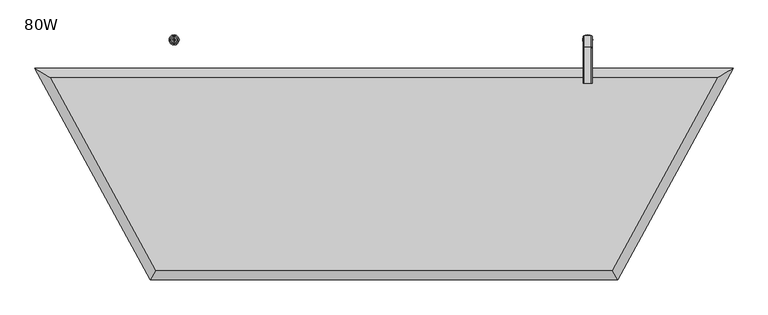
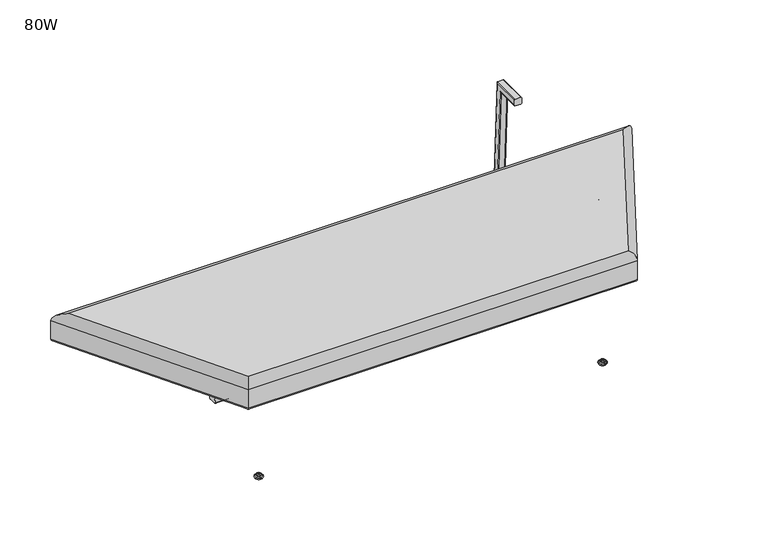
"""IFC4 building model written with IfcOpenShell, lengths in millimetres: furniture geometry, 80W."""

from ifc_helpers import new_model, si_unit, point, frame, origin, place, context, project, spatial, polyline, circle_curve, ellipse_curve, trimmed, outline, extrude, source, transform, mapped, element, save
from ifc_brep_helpers import plane_surface, cylinder_surface, revolved_surface, advanced_brep


def furniture_80w_c3cbe491(model_context):
    return source(origin(), model_context, "Body", "SolidModel", [
        advanced_brep(
        [(1650.9879716, -678.8688097, 405.8895176), (1953.4413891, -123.7984512, 405.8895176), (31.9123949, -123.7984512, 405.8895176), (334.3658124, -678.8688097, 405.8895176), (1988.655218, -102.8840302, 304.2919641), (1663.4095975, -699.7832308, 304.2919641), (321.9441865, -699.7832308, 304.2919641), (-3.301434, -102.8840302, 304.2919641), (1667.1810299, -706.1332308, 310.6419641), (1999.3467792, -96.5340302, 310.6419641), (1999.3467792, -96.5340302, 379.4503267), (1667.1810299, -706.1332308, 379.4503267), (-13.9929952, -96.5340302, 310.6419641), (-13.9929952, -96.5340302, 379.4503267), (318.1727541, -706.1332308, 310.6419641), (318.1727541, -706.1332308, 379.4503267)],
        [
            (0, 1),
            (1, 2),
            (2, 3),
            (3, 0),
            (4, 5),
            (5, 6),
            (6, 7),
            (7, 4),
            (8, 5, ellipse_curve(frame((1663.4095975, -699.7832308, 310.6419641), z_axis=(0.8597881728919553, 0.510650857000273, 0.0), x_axis=(0.5106508570002734, -0.8597881728919552, 0.0)), 7.3855401, 6.35)),
            (4, 9, ellipse_curve(frame((1988.655218, -102.8840302, 310.6419641), z_axis=(0.510650857000273, -0.8597881728919552, 0.0), x_axis=(-0.8597881728919552, -0.510650857000273, 0.0)), 12.4351108, 6.35)),
            (9, 8),
            (9, 10),
            (10, 11),
            (11, 8),
            (10, 1, ellipse_curve(frame((1954.8098101, -122.98571, 379.4503267), z_axis=(0.510650857000273, -0.8597881728919552, 0.0), x_axis=(-0.8597881728919552, -0.510650857000273, 0.0)), 51.7999323, 26.4516798)),
            (0, 11, ellipse_curve(frame((1651.4706801, -679.681551, 379.4503267), z_axis=(0.8597881728919553, 0.510650857000273, 0.0), x_axis=(0.5106508570002734, -0.8597881728919552, 0.0)), 30.7653451, 26.4516798)),
            (7, 12, ellipse_curve(frame((-3.301434, -102.8840302, 310.6419641), z_axis=(0.5106508570002734, 0.859788172891955, 0.0), x_axis=(0.859788172891955, -0.5106508570002732, 0.0)), 12.4351108, 6.35)),
            (12, 9),
            (12, 13),
            (13, 10),
            (13, 2, ellipse_curve(frame((30.5439739, -122.98571, 379.4503267), z_axis=(0.5106508570002734, 0.859788172891955, 0.0), x_axis=(0.859788172891955, -0.5106508570002732, 0.0)), 51.7999323, 26.4516798)),
            (6, 14, ellipse_curve(frame((321.9441865, -699.7832308, 310.6419641), z_axis=(-0.8597881728919551, 0.5106508570002735, 0.0), x_axis=(0.5106508570002738, 0.859788172891955, 0.0)), 7.3855401, 6.35)),
            (14, 12),
            (14, 15),
            (15, 13),
            (15, 3, ellipse_curve(frame((333.8831039, -679.681551, 379.4503267), z_axis=(-0.8597881728919551, 0.5106508570002735, 0.0), x_axis=(0.5106508570002738, 0.859788172891955, 0.0)), 30.7653451, 26.4516798)),
            (8, 14),
            (11, 15),
        ],
        [
            plane_surface(frame((31.9123949, -123.7984512, 405.8895176), z_axis=(0.0, 0.0, 1.0000000000000002), x_axis=(0.4784714044897729, -0.8781031346519521, 0.0))),
            plane_surface(frame((31.9123949, -123.7984512, 304.2919641), z_axis=(0.0, 0.0, -1.0000000000000002), x_axis=(-0.4784714044897729, 0.8781031346519521, 0.0))),
            cylinder_surface(frame((1669.3529903, -688.8757621, 310.6419641), z_axis=(-0.47847140448977327, -0.8781031346519518, 0.0), x_axis=(-0.8781031346519518, 0.47847140448977327, 0.0)), 6.35),
            plane_surface(frame((1667.1810299, -706.1332308, 310.6419641), z_axis=(0.8781031346519518, -0.47847140448977327, 0.0), x_axis=(0.47847140448977327, 0.8781031346519518, 0.0))),
            cylinder_surface(frame((1651.7016423, -679.2576832, 379.4503267), z_axis=(-0.47847140448977327, -0.8781031346519518, 0.0), x_axis=(-0.8781031346519518, 0.47847140448977327, 0.0)), 26.4516798),
            cylinder_surface(frame((1953.4413891, -102.8840302, 310.6419641), z_axis=(1.0, 0.0, 0.0), x_axis=(0.0, -1.0, 0.0)), 6.35),
            plane_surface(frame((1999.3467792, -96.5340302, 310.6419641), z_axis=(0.0, 1.0, 0.0), x_axis=(-1.0, 0.0, 0.0))),
            cylinder_surface(frame((1953.4413891, -122.98571, 379.4503267), z_axis=(1.0, 0.0, 0.0), x_axis=(0.0, -1.0, 0.0)), 26.4516798),
            cylinder_surface(frame((13.5473762, -133.8054037, 310.6419641), z_axis=(-0.47847140448977277, 0.8781031346519521, 0.0), x_axis=(0.8781031346519521, 0.47847140448977277, 0.0)), 6.35),
            plane_surface(frame((-13.9929952, -96.5340302, 310.6419641), z_axis=(-0.878103134651952, -0.478471404489773, 0.0), x_axis=(0.478471404489773, -0.878103134651952, 0.0))),
            cylinder_surface(frame((31.1987242, -124.1873247, 379.4503267), z_axis=(-0.47847140448977277, 0.8781031346519521, 0.0), x_axis=(0.8781031346519521, 0.47847140448977277, 0.0)), 26.4516798),
            cylinder_surface(frame((334.3658124, -699.7832308, 310.6419641), z_axis=(-1.0, 0.0, 0.0), x_axis=(0.0, 1.0, 0.0)), 6.35),
            plane_surface(frame((318.1727541, -706.1332308, 310.6419641), z_axis=(0.0, -1.0, 0.0), x_axis=(1.0, 0.0, 0.0))),
            cylinder_surface(frame((334.3658124, -679.681551, 379.4503267), z_axis=(-1.0, 0.0, 0.0), x_axis=(0.0, 1.0, 0.0)), 26.4516798),
        ],
        [
            (0, [[1, 2, 3, 4]]),
            (1, [[5, 6, 7, 8]]),
            (2, [[9, -5, 10, 11]]),
            (3, [[-11, 12, 13, 14]]),
            (4, [[-13, 15, -1, 16]]),
            (5, [[-10, -8, 17, 18]]),
            (6, [[-12, -18, 19, 20]]),
            (7, [[-15, -20, 21, -2]]),
            (8, [[-17, -7, 22, 23]]),
            (9, [[-19, -23, 24, 25]]),
            (10, [[-21, -25, 26, -3]]),
            (11, [[-9, 27, -22, -6]]),
            (12, [[-14, 28, -24, -27]]),
            (13, [[-16, -4, -26, -28]]),
        ],
    ),
        advanced_brep(
        [(1579.88, -645.9431587, 14.8752118), (1579.88, -652.5665699, 14.8752118), (1579.88, -649.2548643, 14.8752118), (1579.88, -645.3562211, 13.858606), (1579.88, -653.1535076, 13.858606), (1579.88, -641.3242474, 11.2402116), (1579.88, -657.1854813, 11.2402116), (1579.88, -641.3242474, 8.74896), (1579.88, -657.1854813, 8.74896), (1579.88, -642.9059165, 8.74896), (1579.88, -655.6038121, 8.74896), (1579.88, -638.0462975, 5.9432577), (1579.88, -660.4634312, 5.9432577), (1579.88, -634.8556417, 3.5556814), (1579.88, -663.6540869, 3.5556814), (1579.88, -636.908533, 0.0), (1579.88, -661.6011957, 0.0), (1579.88, -649.2548643, 0.0)],
        [
            (0, 1, circle_curve(frame((1579.88, -649.2548643, 14.8752118), z_axis=(0.0, 0.0, 1.0), x_axis=(0.0, -1.0, 0.0)), 3.3117056)),
            (1, 2),
            (2, 0),
            (1, 0, circle_curve(frame((1579.88, -649.2548643, 14.8752118), z_axis=(0.0, 0.0, 1.0), x_axis=(0.0, -1.0, 0.0)), 3.3117056)),
            (3, 4, circle_curve(frame((1579.88, -649.2548643, 13.858606), z_axis=(0.0, 0.0, 1.0), x_axis=(0.0, -1.0, 0.0)), 3.8986433)),
            (4, 1),
            (0, 3),
            (4, 3, circle_curve(frame((1579.88, -649.2548643, 13.858606), z_axis=(0.0, 0.0, 1.0), x_axis=(0.0, -1.0, 0.0)), 3.8986433)),
            (5, 6, circle_curve(frame((1579.88, -649.2548643, 11.2402116), z_axis=(0.0, 0.0, 1.0), x_axis=(0.0, -1.0, 0.0)), 7.930617)),
            (6, 4),
            (3, 5),
            (6, 5, circle_curve(frame((1579.88, -649.2548643, 11.2402116), z_axis=(0.0, 0.0, 1.0), x_axis=(0.0, -1.0, 0.0)), 7.930617)),
            (7, 8, circle_curve(frame((1579.88, -649.2548643, 8.74896), z_axis=(0.0, 0.0, 1.0), x_axis=(0.0, -1.0, 0.0)), 7.930617)),
            (8, 6),
            (5, 7),
            (8, 7, circle_curve(frame((1579.88, -649.2548643, 8.74896), z_axis=(0.0, 0.0, 1.0), x_axis=(0.0, -1.0, 0.0)), 7.930617)),
            (9, 10, circle_curve(frame((1579.88, -649.2548643, 8.74896), z_axis=(0.0, 0.0, 1.0), x_axis=(0.0, -1.0, 0.0)), 6.3489478)),
            (10, 8),
            (7, 9),
            (10, 9, circle_curve(frame((1579.88, -649.2548643, 8.74896), z_axis=(0.0, 0.0, 1.0), x_axis=(0.0, -1.0, 0.0)), 6.3489478)),
            (11, 12, circle_curve(frame((1579.88, -649.2548643, 5.9432577), z_axis=(0.0, 0.0, 1.0), x_axis=(0.0, -1.0, 0.0)), 11.2085669)),
            (12, 10, circle_curve(frame((1579.88, -660.1160571, 10.9529929), z_axis=(1.0, 0.0, 0.0), x_axis=(0.0, -1.0, 0.0)), 5.0217642)),
            (9, 11, circle_curve(frame((1579.88, -638.3936715, 10.9529929), z_axis=(1.0, 0.0, 0.0), x_axis=(0.0, 1.0, 0.0)), 5.0217642)),
            (12, 11, circle_curve(frame((1579.88, -649.2548643, 5.9432577), z_axis=(0.0, 0.0, 1.0), x_axis=(0.0, -1.0, 0.0)), 11.2085669)),
            (13, 14, circle_curve(frame((1579.88, -649.2548643, 3.5556814), z_axis=(0.0, 0.0, 1.0), x_axis=(0.0, -1.0, 0.0)), 14.3992226)),
            (14, 12, circle_curve(frame((1579.88, -660.6744794, 2.8995769), z_axis=(-1.0, 0.0, 0.0), x_axis=(0.0, -1.0, 0.0)), 3.050989)),
            (11, 13, circle_curve(frame((1579.88, -637.8352492, 2.8995769), z_axis=(-1.0, 0.0, 0.0), x_axis=(0.0, 1.0, 0.0)), 3.050989)),
            (14, 13, circle_curve(frame((1579.88, -649.2548643, 3.5556814), z_axis=(0.0, 0.0, 1.0), x_axis=(0.0, -1.0, 0.0)), 14.3992226)),
            (15, 16, circle_curve(frame((1579.88, -649.2548643, 0.0), z_axis=(0.0, 0.0, 1.0), x_axis=(0.0, -1.0, 0.0)), 12.3463313)),
            (16, 14),
            (13, 15),
            (16, 15, circle_curve(frame((1579.88, -649.2548643, 0.0), z_axis=(0.0, 0.0, 1.0), x_axis=(0.0, -1.0, 0.0)), 12.3463313)),
            (17, 16),
            (15, 17),
        ],
        [
            plane_surface(frame((1579.88, -649.2548643, 14.8752118), z_axis=(0.0, 0.0, 1.0), x_axis=(0.0, -1.0, 0.0))),
            revolved_surface(polyline([(1579.88, -652.5665699, 14.8752118), (1579.88, -653.1535076, 13.858606)]), (1579.88, -649.2548643, 0.0), (0.0, 0.0, -1.0)),
            revolved_surface(polyline([(1579.88, -653.1535076, 13.858606), (1579.88, -657.1854813, 11.2402116)]), (1579.88, -649.2548643, 0.0), (0.0, 0.0, -1.0)),
            cylinder_surface(frame((1579.88, -649.2548643, 0.0), z_axis=(0.0, 0.0, -1.0), x_axis=(0.0, -1.0, 0.0)), 7.930617),
            plane_surface(frame((1579.88, -649.2548643, 8.74896), z_axis=(0.0, 0.0, -1.0), x_axis=(0.0, -1.0, 0.0))),
            revolved_surface(trimmed(ellipse_curve(frame((1579.88, -660.1160571, 10.9529929), z_axis=(-1.0, 0.0, 0.0), x_axis=(0.0, -1.0, 0.0)), 5.0217642, 5.0217642), [point((1579.88, -655.6038121, 8.74896))], [point((1579.88, -660.4634312, 5.9432577))], True, "CARTESIAN"), (1579.88, -649.2548643, 0.0), (0.0, 0.0, -1.0)),
            revolved_surface(trimmed(ellipse_curve(frame((1579.88, -660.6744794, 2.8995769), z_axis=(1.0, 0.0, 0.0), x_axis=(0.0, -1.0, 0.0)), 3.050989, 3.050989), [point((1579.88, -660.4634312, 5.9432577))], [point((1579.88, -663.6540869, 3.5556814))], True, "CARTESIAN"), (1579.88, -649.2548643, 0.0), (0.0, 0.0, -1.0)),
            revolved_surface(polyline([(1579.88, -663.6540869, 3.5556814), (1579.88, -661.6011957, 0.0)]), (1579.88, -649.2548643, 0.0), (0.0, 0.0, -1.0)),
            plane_surface(frame((1579.88, -649.2548643, 0.0), z_axis=(0.0, 0.0, -1.0), x_axis=(0.0, -1.0, 0.0))),
        ],
        [
            (0, [[1, 2, 3]]),
            (0, [[4, -3, -2]]),
            (1, [[5, 6, -1, 7]]),
            (1, [[8, -7, -4, -6]]),
            (2, [[9, 10, -5, 11]]),
            (2, [[12, -11, -8, -10]]),
            (3, [[13, 14, -9, 15]]),
            (3, [[16, -15, -12, -14]]),
            (4, [[17, 18, -13, 19]]),
            (4, [[20, -19, -16, -18]]),
            (5, [[21, 22, -17, 23]]),
            (5, [[24, -23, -20, -22]]),
            (6, [[25, 26, -21, 27]]),
            (6, [[28, -27, -24, -26]]),
            (7, [[29, 30, -25, 31]]),
            (7, [[32, -31, -28, -30]]),
            (8, [[33, -29, 34]]),
            (8, [[-34, -32, -33]]),
        ],
    ),
        advanced_brep(
        [(1579.88, -14.3992226, 14.8752118), (1579.88, -11.087517, 14.8752118), (1579.88, -17.7109282, 14.8752118), (1579.88, -10.5005793, 13.858606), (1579.88, -18.2978659, 13.858606), (1579.88, -6.4686056, 11.2402116), (1579.88, -22.3298395, 11.2402116), (1579.88, -6.4686056, 8.74896), (1579.88, -22.3298395, 8.74896), (1579.88, -8.0502748, 8.74896), (1579.88, -20.7481704, 8.74896), (1579.88, -3.1906557, 5.9432577), (1579.88, -25.6077895, 5.9432577), (1579.88, 0.0, 3.5556814), (1579.88, -28.7984452, 3.5556814), (1579.88, -2.0528912, 0.0), (1579.88, -26.7455539, 0.0), (1579.88, -14.3992226, 0.0)],
        [
            (0, 1),
            (1, 2, circle_curve(frame((1579.88, -14.3992226, 14.8752118), z_axis=(0.0, 0.0, 1.0), x_axis=(0.0, 1.0, 0.0)), 3.3117056)),
            (2, 0),
            (2, 1, circle_curve(frame((1579.88, -14.3992226, 14.8752118), z_axis=(0.0, 0.0, 1.0), x_axis=(0.0, 1.0, 0.0)), 3.3117056)),
            (1, 3),
            (3, 4, circle_curve(frame((1579.88, -14.3992226, 13.858606), z_axis=(0.0, 0.0, 1.0), x_axis=(0.0, 1.0, 0.0)), 3.8986433)),
            (4, 2),
            (4, 3, circle_curve(frame((1579.88, -14.3992226, 13.858606), z_axis=(0.0, 0.0, 1.0), x_axis=(0.0, 1.0, 0.0)), 3.8986433)),
            (3, 5),
            (5, 6, circle_curve(frame((1579.88, -14.3992226, 11.2402116), z_axis=(0.0, 0.0, 1.0), x_axis=(0.0, 1.0, 0.0)), 7.930617)),
            (6, 4),
            (6, 5, circle_curve(frame((1579.88, -14.3992226, 11.2402116), z_axis=(0.0, 0.0, 1.0), x_axis=(0.0, 1.0, 0.0)), 7.930617)),
            (5, 7),
            (7, 8, circle_curve(frame((1579.88, -14.3992226, 8.74896), z_axis=(0.0, 0.0, 1.0), x_axis=(0.0, 1.0, 0.0)), 7.930617)),
            (8, 6),
            (8, 7, circle_curve(frame((1579.88, -14.3992226, 8.74896), z_axis=(0.0, 0.0, 1.0), x_axis=(0.0, 1.0, 0.0)), 7.930617)),
            (7, 9),
            (9, 10, circle_curve(frame((1579.88, -14.3992226, 8.74896), z_axis=(0.0, 0.0, 1.0), x_axis=(0.0, 1.0, 0.0)), 6.3489478)),
            (10, 8),
            (10, 9, circle_curve(frame((1579.88, -14.3992226, 8.74896), z_axis=(0.0, 0.0, 1.0), x_axis=(0.0, 1.0, 0.0)), 6.3489478)),
            (9, 11, circle_curve(frame((1579.88, -3.5380298, 10.9529929), z_axis=(1.0, 0.0, 0.0), x_axis=(0.0, -1.0, 0.0)), 5.0217642)),
            (11, 12, circle_curve(frame((1579.88, -14.3992226, 5.9432577), z_axis=(0.0, 0.0, 1.0), x_axis=(0.0, 1.0, 0.0)), 11.2085669)),
            (12, 10, circle_curve(frame((1579.88, -25.2604154, 10.9529929), z_axis=(1.0, 0.0, 0.0), x_axis=(0.0, 1.0, 0.0)), 5.0217642)),
            (12, 11, circle_curve(frame((1579.88, -14.3992226, 5.9432577), z_axis=(0.0, 0.0, 1.0), x_axis=(0.0, 1.0, 0.0)), 11.2085669)),
            (11, 13, circle_curve(frame((1579.88, -2.9796075, 2.8995769), z_axis=(-1.0, 0.0, 0.0), x_axis=(0.0, -1.0, 0.0)), 3.050989)),
            (13, 14, circle_curve(frame((1579.88, -14.3992226, 3.5556814), z_axis=(0.0, 0.0, 1.0), x_axis=(0.0, 1.0, 0.0)), 14.3992226)),
            (14, 12, circle_curve(frame((1579.88, -25.8188377, 2.8995769), z_axis=(-1.0, 0.0, 0.0), x_axis=(0.0, 1.0, 0.0)), 3.050989)),
            (14, 13, circle_curve(frame((1579.88, -14.3992226, 3.5556814), z_axis=(0.0, 0.0, 1.0), x_axis=(0.0, 1.0, 0.0)), 14.3992226)),
            (13, 15),
            (15, 16, circle_curve(frame((1579.88, -14.3992226, 0.0), z_axis=(0.0, 0.0, 1.0), x_axis=(0.0, 1.0, 0.0)), 12.3463313)),
            (16, 14),
            (16, 15, circle_curve(frame((1579.88, -14.3992226, 0.0), z_axis=(0.0, 0.0, 1.0), x_axis=(0.0, 1.0, 0.0)), 12.3463313)),
            (15, 17),
            (17, 16),
        ],
        [
            plane_surface(frame((1579.88, -14.3992226, 14.8752118), z_axis=(0.0, 0.0, 1.0), x_axis=(0.0, 1.0, 0.0))),
            revolved_surface(polyline([(1579.88, -10.5005793, 13.858606), (1579.88, -11.087517, 14.8752118)]), (1579.88, -14.3992226, 0.0), (0.0, 0.0, 1.0)),
            revolved_surface(polyline([(1579.88, -6.4686056, 11.2402116), (1579.88, -10.5005793, 13.858606)]), (1579.88, -14.3992226, 0.0), (0.0, 0.0, 1.0)),
            cylinder_surface(frame((1579.88, -14.3992226, 0.0), z_axis=(0.0, 0.0, 1.0), x_axis=(0.0, 1.0, 0.0)), 7.930617),
            plane_surface(frame((1579.88, -14.3992226, 8.74896), z_axis=(0.0, 0.0, -1.0), x_axis=(0.0, 1.0, 0.0))),
            revolved_surface(trimmed(ellipse_curve(frame((1579.88, -3.5380298, 10.9529929), z_axis=(-1.0, 0.0, 0.0), x_axis=(0.0, -1.0, 0.0)), 5.0217642, 5.0217642), [point((1579.88, -3.1906557, 5.9432577))], [point((1579.88, -8.0502748, 8.74896))], True, "CARTESIAN"), (1579.88, -14.3992226, 0.0), (0.0, 0.0, 1.0)),
            revolved_surface(trimmed(ellipse_curve(frame((1579.88, -2.9796075, 2.8995769), z_axis=(1.0, 0.0, 0.0), x_axis=(0.0, -1.0, 0.0)), 3.050989, 3.050989), [point((1579.88, 0.0, 3.5556814))], [point((1579.88, -3.1906557, 5.9432577))], True, "CARTESIAN"), (1579.88, -14.3992226, 0.0), (0.0, 0.0, 1.0)),
            revolved_surface(polyline([(1579.88, -2.0528912, 0.0), (1579.88, 0.0, 3.5556814)]), (1579.88, -14.3992226, 0.0), (0.0, 0.0, 1.0)),
            plane_surface(frame((1579.88, -14.3992226, 0.0), z_axis=(0.0, 0.0, -1.0), x_axis=(0.0, 1.0, 0.0))),
        ],
        [
            (0, [[1, 2, 3]]),
            (0, [[-3, 4, -1]]),
            (1, [[-2, 5, 6, 7]]),
            (1, [[-4, -7, 8, -5]]),
            (2, [[-6, 9, 10, 11]]),
            (2, [[-8, -11, 12, -9]]),
            (3, [[-10, 13, 14, 15]]),
            (3, [[-12, -15, 16, -13]]),
            (4, [[-14, 17, 18, 19]]),
            (4, [[-16, -19, 20, -17]]),
            (5, [[-18, 21, 22, 23]]),
            (5, [[-20, -23, 24, -21]]),
            (6, [[-22, 25, 26, 27]]),
            (6, [[-24, -27, 28, -25]]),
            (7, [[-26, 29, 30, 31]]),
            (7, [[-28, -31, 32, -29]]),
            (8, [[-30, 33, 34]]),
            (8, [[-32, -34, -33]]),
        ],
    ),
        advanced_brep(
        [(387.2755006, -649.2548643, 14.8752118), (387.2755006, -652.5665699, 14.8752118), (387.2755006, -645.9431587, 14.8752118), (387.2755006, -653.1535076, 13.858606), (387.2755006, -645.3562211, 13.858606), (387.2755006, -657.1854813, 11.2402116), (387.2755006, -641.3242474, 11.2402116), (387.2755006, -657.1854813, 8.74896), (387.2755006, -641.3242474, 8.74896), (387.2755006, -655.6038121, 8.74896), (387.2755006, -642.9059165, 8.74896), (387.2755006, -660.4634312, 5.9432577), (387.2755006, -638.0462975, 5.9432577), (387.2755006, -663.6540869, 3.5556814), (387.2755006, -634.8556417, 3.5556814), (387.2755006, -661.6011957, 0.0), (387.2755006, -636.908533, 0.0), (387.2755006, -649.2548643, 0.0)],
        [
            (0, 1),
            (1, 2, circle_curve(frame((387.2755006, -649.2548643, 14.8752118), z_axis=(0.0, 0.0, 1.0), x_axis=(0.0, -1.0, 0.0)), 3.3117056)),
            (2, 0),
            (2, 1, circle_curve(frame((387.2755006, -649.2548643, 14.8752118), z_axis=(0.0, 0.0, 1.0), x_axis=(0.0, -1.0, 0.0)), 3.3117056)),
            (1, 3),
            (3, 4, circle_curve(frame((387.2755006, -649.2548643, 13.858606), z_axis=(0.0, 0.0, 1.0), x_axis=(0.0, -1.0, 0.0)), 3.8986433)),
            (4, 2),
            (4, 3, circle_curve(frame((387.2755006, -649.2548643, 13.858606), z_axis=(0.0, 0.0, 1.0), x_axis=(0.0, -1.0, 0.0)), 3.8986433)),
            (3, 5),
            (5, 6, circle_curve(frame((387.2755006, -649.2548643, 11.2402116), z_axis=(0.0, 0.0, 1.0), x_axis=(0.0, -1.0, 0.0)), 7.930617)),
            (6, 4),
            (6, 5, circle_curve(frame((387.2755006, -649.2548643, 11.2402116), z_axis=(0.0, 0.0, 1.0), x_axis=(0.0, -1.0, 0.0)), 7.930617)),
            (5, 7),
            (7, 8, circle_curve(frame((387.2755006, -649.2548643, 8.74896), z_axis=(0.0, 0.0, 1.0), x_axis=(0.0, -1.0, 0.0)), 7.930617)),
            (8, 6),
            (8, 7, circle_curve(frame((387.2755006, -649.2548643, 8.74896), z_axis=(0.0, 0.0, 1.0), x_axis=(0.0, -1.0, 0.0)), 7.930617)),
            (7, 9),
            (9, 10, circle_curve(frame((387.2755006, -649.2548643, 8.74896), z_axis=(0.0, 0.0, 1.0), x_axis=(0.0, -1.0, 0.0)), 6.3489478)),
            (10, 8),
            (10, 9, circle_curve(frame((387.2755006, -649.2548643, 8.74896), z_axis=(0.0, 0.0, 1.0), x_axis=(0.0, -1.0, 0.0)), 6.3489478)),
            (9, 11, circle_curve(frame((387.2755006, -660.1160571, 10.9529929), z_axis=(-1.0, 0.0, 0.0), x_axis=(0.0, -1.0, 0.0)), 5.0217642)),
            (11, 12, circle_curve(frame((387.2755006, -649.2548643, 5.9432577), z_axis=(0.0, 0.0, 1.0), x_axis=(0.0, -1.0, 0.0)), 11.2085669)),
            (12, 10, circle_curve(frame((387.2755006, -638.3936715, 10.9529929), z_axis=(-1.0, 0.0, 0.0), x_axis=(0.0, 1.0, 0.0)), 5.0217642)),
            (12, 11, circle_curve(frame((387.2755006, -649.2548643, 5.9432577), z_axis=(0.0, 0.0, 1.0), x_axis=(0.0, -1.0, 0.0)), 11.2085669)),
            (11, 13, circle_curve(frame((387.2755006, -660.6744794, 2.8995769), z_axis=(1.0, 0.0, 0.0), x_axis=(0.0, -1.0, 0.0)), 3.050989)),
            (13, 14, circle_curve(frame((387.2755006, -649.2548643, 3.5556814), z_axis=(0.0, 0.0, 1.0), x_axis=(0.0, -1.0, 0.0)), 14.3992226)),
            (14, 12, circle_curve(frame((387.2755006, -637.8352492, 2.8995769), z_axis=(1.0, 0.0, 0.0), x_axis=(0.0, 1.0, 0.0)), 3.050989)),
            (14, 13, circle_curve(frame((387.2755006, -649.2548643, 3.5556814), z_axis=(0.0, 0.0, 1.0), x_axis=(0.0, -1.0, 0.0)), 14.3992226)),
            (13, 15),
            (15, 16, circle_curve(frame((387.2755006, -649.2548643, 0.0), z_axis=(0.0, 0.0, 1.0), x_axis=(0.0, -1.0, 0.0)), 12.3463313)),
            (16, 14),
            (16, 15, circle_curve(frame((387.2755006, -649.2548643, 0.0), z_axis=(0.0, 0.0, 1.0), x_axis=(0.0, -1.0, 0.0)), 12.3463313)),
            (15, 17),
            (17, 16),
        ],
        [
            plane_surface(frame((387.2755006, -649.2548643, 14.8752118), z_axis=(0.0, 0.0, 1.0), x_axis=(0.0, -1.0, 0.0))),
            revolved_surface(polyline([(387.2755006, -653.1535076, 13.858606), (387.2755006, -652.5665699, 14.8752118)]), (387.2755006, -649.2548643, 0.0), (0.0, 0.0, 1.0)),
            revolved_surface(polyline([(387.2755006, -657.1854813, 11.2402116), (387.2755006, -653.1535076, 13.858606)]), (387.2755006, -649.2548643, 0.0), (0.0, 0.0, 1.0)),
            cylinder_surface(frame((387.2755006, -649.2548643, 0.0), z_axis=(0.0, 0.0, 1.0), x_axis=(0.0, -1.0, 0.0)), 7.930617),
            plane_surface(frame((387.2755006, -649.2548643, 8.74896), z_axis=(0.0, 0.0, -1.0), x_axis=(0.0, -1.0, 0.0))),
            revolved_surface(trimmed(ellipse_curve(frame((387.2755006, -660.1160571, 10.9529929), z_axis=(1.0, 0.0, 0.0), x_axis=(0.0, -1.0, 0.0)), 5.0217642, 5.0217642), [point((387.2755006, -660.4634312, 5.9432577))], [point((387.2755006, -655.6038121, 8.74896))], True, "CARTESIAN"), (387.2755006, -649.2548643, 0.0), (0.0, 0.0, 1.0)),
            revolved_surface(trimmed(ellipse_curve(frame((387.2755006, -660.6744794, 2.8995769), z_axis=(-1.0, 0.0, 0.0), x_axis=(0.0, -1.0, 0.0)), 3.050989, 3.050989), [point((387.2755006, -663.6540869, 3.5556814))], [point((387.2755006, -660.4634312, 5.9432577))], True, "CARTESIAN"), (387.2755006, -649.2548643, 0.0), (0.0, 0.0, 1.0)),
            revolved_surface(polyline([(387.2755006, -661.6011957, 0.0), (387.2755006, -663.6540869, 3.5556814)]), (387.2755006, -649.2548643, 0.0), (0.0, 0.0, 1.0)),
            plane_surface(frame((387.2755006, -649.2548643, 0.0), z_axis=(0.0, 0.0, -1.0), x_axis=(0.0, -1.0, 0.0))),
        ],
        [
            (0, [[1, 2, 3]]),
            (0, [[-3, 4, -1]]),
            (1, [[-2, 5, 6, 7]]),
            (1, [[-4, -7, 8, -5]]),
            (2, [[-6, 9, 10, 11]]),
            (2, [[-8, -11, 12, -9]]),
            (3, [[-10, 13, 14, 15]]),
            (3, [[-12, -15, 16, -13]]),
            (4, [[-14, 17, 18, 19]]),
            (4, [[-16, -19, 20, -17]]),
            (5, [[-18, 21, 22, 23]]),
            (5, [[-20, -23, 24, -21]]),
            (6, [[-22, 25, 26, 27]]),
            (6, [[-24, -27, 28, -25]]),
            (7, [[-26, 29, 30, 31]]),
            (7, [[-28, -31, 32, -29]]),
            (8, [[-30, 33, 34]]),
            (8, [[-32, -34, -33]]),
        ],
    ),
        advanced_brep(
        [(387.2755006, -17.7109282, 14.8752118), (387.2755006, -11.087517, 14.8752118), (387.2755006, -14.3992226, 14.8752118), (387.2755006, -18.2978659, 13.858606), (387.2755006, -10.5005793, 13.858606), (387.2755006, -22.3298395, 11.2402116), (387.2755006, -6.4686056, 11.2402116), (387.2755006, -22.3298395, 8.74896), (387.2755006, -6.4686056, 8.74896), (387.2755006, -20.7481704, 8.74896), (387.2755006, -8.0502748, 8.74896), (387.2755006, -25.6077895, 5.9432577), (387.2755006, -3.1906557, 5.9432577), (387.2755006, -28.7984452, 3.5556814), (387.2755006, 0.0, 3.5556814), (387.2755006, -26.7455539, 0.0), (387.2755006, -2.0528912, 0.0), (387.2755006, -14.3992226, 0.0)],
        [
            (0, 1, circle_curve(frame((387.2755006, -14.3992226, 14.8752118), z_axis=(0.0, 0.0, 1.0), x_axis=(0.0, 1.0, 0.0)), 3.3117056)),
            (1, 2),
            (2, 0),
            (1, 0, circle_curve(frame((387.2755006, -14.3992226, 14.8752118), z_axis=(0.0, 0.0, 1.0), x_axis=(0.0, 1.0, 0.0)), 3.3117056)),
            (3, 4, circle_curve(frame((387.2755006, -14.3992226, 13.858606), z_axis=(0.0, 0.0, 1.0), x_axis=(0.0, 1.0, 0.0)), 3.8986433)),
            (4, 1),
            (0, 3),
            (4, 3, circle_curve(frame((387.2755006, -14.3992226, 13.858606), z_axis=(0.0, 0.0, 1.0), x_axis=(0.0, 1.0, 0.0)), 3.8986433)),
            (5, 6, circle_curve(frame((387.2755006, -14.3992226, 11.2402116), z_axis=(0.0, 0.0, 1.0), x_axis=(0.0, 1.0, 0.0)), 7.930617)),
            (6, 4),
            (3, 5),
            (6, 5, circle_curve(frame((387.2755006, -14.3992226, 11.2402116), z_axis=(0.0, 0.0, 1.0), x_axis=(0.0, 1.0, 0.0)), 7.930617)),
            (7, 8, circle_curve(frame((387.2755006, -14.3992226, 8.74896), z_axis=(0.0, 0.0, 1.0), x_axis=(0.0, 1.0, 0.0)), 7.930617)),
            (8, 6),
            (5, 7),
            (8, 7, circle_curve(frame((387.2755006, -14.3992226, 8.74896), z_axis=(0.0, 0.0, 1.0), x_axis=(0.0, 1.0, 0.0)), 7.930617)),
            (9, 10, circle_curve(frame((387.2755006, -14.3992226, 8.74896), z_axis=(0.0, 0.0, 1.0), x_axis=(0.0, 1.0, 0.0)), 6.3489478)),
            (10, 8),
            (7, 9),
            (10, 9, circle_curve(frame((387.2755006, -14.3992226, 8.74896), z_axis=(0.0, 0.0, 1.0), x_axis=(0.0, 1.0, 0.0)), 6.3489478)),
            (11, 12, circle_curve(frame((387.2755006, -14.3992226, 5.9432577), z_axis=(0.0, 0.0, 1.0), x_axis=(0.0, 1.0, 0.0)), 11.2085669)),
            (12, 10, circle_curve(frame((387.2755006, -3.5380298, 10.9529929), z_axis=(-1.0, 0.0, 0.0), x_axis=(0.0, -1.0, 0.0)), 5.0217642)),
            (9, 11, circle_curve(frame((387.2755006, -25.2604154, 10.9529929), z_axis=(-1.0, 0.0, 0.0), x_axis=(0.0, 1.0, 0.0)), 5.0217642)),
            (12, 11, circle_curve(frame((387.2755006, -14.3992226, 5.9432577), z_axis=(0.0, 0.0, 1.0), x_axis=(0.0, 1.0, 0.0)), 11.2085669)),
            (13, 14, circle_curve(frame((387.2755006, -14.3992226, 3.5556814), z_axis=(0.0, 0.0, 1.0), x_axis=(0.0, 1.0, 0.0)), 14.3992226)),
            (14, 12, circle_curve(frame((387.2755006, -2.9796075, 2.8995769), z_axis=(1.0, 0.0, 0.0), x_axis=(0.0, -1.0, 0.0)), 3.050989)),
            (11, 13, circle_curve(frame((387.2755006, -25.8188377, 2.8995769), z_axis=(1.0, 0.0, 0.0), x_axis=(0.0, 1.0, 0.0)), 3.050989)),
            (14, 13, circle_curve(frame((387.2755006, -14.3992226, 3.5556814), z_axis=(0.0, 0.0, 1.0), x_axis=(0.0, 1.0, 0.0)), 14.3992226)),
            (15, 16, circle_curve(frame((387.2755006, -14.3992226, 0.0), z_axis=(0.0, 0.0, 1.0), x_axis=(0.0, 1.0, 0.0)), 12.3463313)),
            (16, 14),
            (13, 15),
            (16, 15, circle_curve(frame((387.2755006, -14.3992226, 0.0), z_axis=(0.0, 0.0, 1.0), x_axis=(0.0, 1.0, 0.0)), 12.3463313)),
            (17, 16),
            (15, 17),
        ],
        [
            plane_surface(frame((387.2755006, -14.3992226, 14.8752118), z_axis=(0.0, 0.0, 1.0), x_axis=(0.0, 1.0, 0.0))),
            revolved_surface(polyline([(387.2755006, -11.087517, 14.8752118), (387.2755006, -10.5005793, 13.858606)]), (387.2755006, -14.3992226, 0.0), (0.0, 0.0, -1.0)),
            revolved_surface(polyline([(387.2755006, -10.5005793, 13.858606), (387.2755006, -6.4686056, 11.2402116)]), (387.2755006, -14.3992226, 0.0), (0.0, 0.0, -1.0)),
            cylinder_surface(frame((387.2755006, -14.3992226, 0.0), z_axis=(0.0, 0.0, -1.0), x_axis=(0.0, 1.0, 0.0)), 7.930617),
            plane_surface(frame((387.2755006, -14.3992226, 8.74896), z_axis=(0.0, 0.0, -1.0), x_axis=(0.0, 1.0, 0.0))),
            revolved_surface(trimmed(ellipse_curve(frame((387.2755006, -3.5380298, 10.9529929), z_axis=(1.0, 0.0, 0.0), x_axis=(0.0, -1.0, 0.0)), 5.0217642, 5.0217642), [point((387.2755006, -8.0502748, 8.74896))], [point((387.2755006, -3.1906557, 5.9432577))], True, "CARTESIAN"), (387.2755006, -14.3992226, 0.0), (0.0, 0.0, -1.0)),
            revolved_surface(trimmed(ellipse_curve(frame((387.2755006, -2.9796075, 2.8995769), z_axis=(-1.0, 0.0, 0.0), x_axis=(0.0, -1.0, 0.0)), 3.050989, 3.050989), [point((387.2755006, -3.1906557, 5.9432577))], [point((387.2755006, 0.0, 3.5556814))], True, "CARTESIAN"), (387.2755006, -14.3992226, 0.0), (0.0, 0.0, -1.0)),
            revolved_surface(polyline([(387.2755006, 0.0, 3.5556814), (387.2755006, -2.0528912, 0.0)]), (387.2755006, -14.3992226, 0.0), (0.0, 0.0, -1.0)),
            plane_surface(frame((387.2755006, -14.3992226, 0.0), z_axis=(0.0, 0.0, -1.0), x_axis=(0.0, 1.0, 0.0))),
        ],
        [
            (0, [[1, 2, 3]]),
            (0, [[4, -3, -2]]),
            (1, [[5, 6, -1, 7]]),
            (1, [[8, -7, -4, -6]]),
            (2, [[9, 10, -5, 11]]),
            (2, [[12, -11, -8, -10]]),
            (3, [[13, 14, -9, 15]]),
            (3, [[16, -15, -12, -14]]),
            (4, [[17, 18, -13, 19]]),
            (4, [[20, -19, -16, -18]]),
            (5, [[21, 22, -17, 23]]),
            (5, [[24, -23, -20, -22]]),
            (6, [[25, 26, -21, 27]]),
            (6, [[28, -27, -24, -26]]),
            (7, [[29, 30, -25, 31]]),
            (7, [[32, -31, -28, -30]]),
            (8, [[33, -29, 34]]),
            (8, [[-34, -32, -33]]),
        ],
    ),
        advanced_brep(
        [(1784.7955207, -230.7462837, 302.386969), (180.962022, -230.7462837, 302.386969), (180.8954939, -230.7462837, 304.2920853), (1784.9287395, -230.7462837, 304.2920853), (180.8954939, -292.4154368, 304.2920853), (1784.9287395, -292.4154368, 304.2920853), (180.962022, -292.4154368, 302.386969), (1784.7955207, -292.4154368, 302.386969), (180.962022, -278.2027199, 302.386969), (1784.7955207, -278.2027199, 302.386969), (180.9944372, -277.2744696, 301.4587187), (1784.7306112, -277.2744696, 301.4587187), (182.7841105, -277.2744696, 250.2091797), (1781.1468943, -277.2744696, 250.2091797), (182.9132303, -273.576963, 246.5116732), (1780.8883394, -273.576963, 246.5116732), (182.9132303, -249.7778777, 246.5116732), (1780.8883394, -249.7778777, 246.5116732), (182.7790463, -245.9353512, 250.3541997), (1781.1570351, -245.9353512, 250.3541997), (180.9975015, -245.9353512, 301.370969), (1784.7244751, -245.9353512, 301.370969), (180.962022, -244.9193512, 302.386969), (1784.7955207, -244.9193512, 302.386969)],
        [
            (0, 1),
            (1, 2),
            (2, 3),
            (3, 0),
            (2, 4),
            (4, 5),
            (5, 3),
            (4, 6),
            (6, 7),
            (7, 5),
            (6, 8),
            (8, 9),
            (9, 7),
            (8, 10, ellipse_curve(frame((180.9944372, -278.2027199, 301.4587187), z_axis=(-0.9993908270190957, 0.0, -0.034899496702502815), x_axis=(-0.03489949670250302, 0.0, 0.9993908270190957)), 0.9288161, 0.9282503)),
            (10, 11),
            (11, 9, ellipse_curve(frame((1784.7306112, -278.2027199, 301.4587187), z_axis=(0.9975640502598186, 0.0, -0.06975647374420531), x_axis=(-0.06975647374420571, 0.0, -0.9975640502598186)), 0.930517, 0.9282503)),
            (10, 12),
            (12, 13),
            (13, 11),
            (12, 14, ellipse_curve(frame((182.7841105, -273.576963, 250.2091797), z_axis=(0.9993908270190957, 0.0, 0.034899496702502815), x_axis=(0.03489949670250302, 0.0, -0.9993908270190957)), 3.6997604, 3.6975066)),
            (14, 15),
            (15, 13, ellipse_curve(frame((1781.1468943, -273.576963, 250.2091797), z_axis=(-0.9975640502598186, 0.0, 0.06975647374420531), x_axis=(0.06975647374420571, 0.0, 0.9975640502598186)), 3.7065355, 3.6975066)),
            (14, 16),
            (16, 17),
            (17, 15),
            (16, 18, ellipse_curve(frame((182.7790463, -249.7778777, 250.3541997), z_axis=(0.9993908270190957, 0.0, 0.034899496702502815), x_axis=(0.03489949670250302, 0.0, -0.9993908270190957)), 3.8448687, 3.8425266)),
            (18, 19),
            (19, 17, ellipse_curve(frame((1781.1570351, -249.7778777, 250.3541997), z_axis=(-0.9975640502598186, 0.0, 0.06975647374420531), x_axis=(0.06975647374420571, 0.0, 0.9975640502598186)), 3.8519096, 3.8425266)),
            (18, 20),
            (20, 21),
            (21, 19),
            (20, 22, ellipse_curve(frame((180.9975015, -244.9193512, 301.370969), z_axis=(-0.9993908270190957, 0.0, -0.034899496702502815), x_axis=(-0.03489949670250302, 0.0, 0.9993908270190957)), 1.0166193, 1.016)),
            (22, 23),
            (23, 21, ellipse_curve(frame((1784.7244751, -244.9193512, 301.370969), z_axis=(0.9975640502598186, 0.0, -0.06975647374420531), x_axis=(-0.06975647374420571, 0.0, -0.9975640502598186)), 1.018481, 1.016)),
            (0, 23),
            (22, 1),
        ],
        [
            plane_surface(frame((1841.5, -230.7462837, 302.386969), z_axis=(0.0, 1.0, 0.0), x_axis=(-1.0, 0.0, 0.0))),
            plane_surface(frame((1841.5, -230.7462837, 304.2920853), z_axis=(0.0, 0.0, 1.0), x_axis=(-1.0, 0.0, 0.0))),
            plane_surface(frame((1841.5, -292.4154368, 304.2920853), z_axis=(0.0, -1.0, 0.0), x_axis=(-1.0, 0.0, 0.0))),
            plane_surface(frame((1841.5, -292.4154368, 302.386969), z_axis=(0.0, 0.0, -1.0), x_axis=(-1.0, 0.0, 0.0))),
            revolved_surface(polyline([(180.9620219855808, -279.1309702, 301.4587187), (1784.7955207846792, -279.1309702, 301.4587187)]), (0.0, -278.2027199, 301.4587187), (-1.0, 0.0, 0.0)),
            plane_surface(frame((1841.5, -277.2744696, 301.4587187), z_axis=(0.0, -1.0, 0.0), x_axis=(-1.0, 0.0, 0.0))),
            cylinder_surface(frame((0.0, -273.576963, 250.2091797), z_axis=(1.0, 0.0, 0.0), x_axis=(0.0, -1.0, 0.0)), 3.6975066),
            plane_surface(frame((1841.5, -273.576963, 246.5116732), z_axis=(0.0, 0.0, -1.0), x_axis=(-1.0, 0.0, 0.0))),
            cylinder_surface(frame((0.0, -249.7778777, 250.3541997), z_axis=(1.0, 0.0, 0.0), x_axis=(0.0, -1.0, 0.0)), 3.8425266),
            plane_surface(frame((1841.5, -245.9353512, 250.3541997), z_axis=(0.0, 1.0, 0.0), x_axis=(-1.0, 0.0, 0.0))),
            revolved_surface(polyline([(180.96202199809196, -245.93535119999999, 301.370969), (1784.7955207431355, -245.93535119999999, 301.370969)]), (0.0, -244.9193512, 301.370969), (-1.0, 0.0, 0.0)),
            plane_surface(frame((1841.5, -244.9193512, 302.386969), z_axis=(0.0, 0.0, -1.0), x_axis=(-1.0, 0.0, 0.0))),
            plane_surface(frame((180.8954939, -115.8078763, 304.2920853), z_axis=(-0.9993908270190957, 0.0, -0.034899496702502815), x_axis=(0.0, -1.0, 0.0))),
            plane_surface(frame((1777.8449395, -115.8078763, 202.9890258), z_axis=(0.9975640502598186, 0.0, -0.06975647374420531), x_axis=(0.0, -1.0, 0.0))),
        ],
        [
            (0, [[1, 2, 3, 4]]),
            (1, [[-3, 5, 6, 7]]),
            (2, [[-6, 8, 9, 10]]),
            (3, [[-9, 11, 12, 13]]),
            (4, [[-12, 14, 15, 16]]),
            (5, [[-15, 17, 18, 19]]),
            (6, [[-18, 20, 21, 22]]),
            (7, [[-21, 23, 24, 25]]),
            (8, [[-24, 26, 27, 28]]),
            (9, [[-27, 29, 30, 31]]),
            (10, [[-30, 32, 33, 34]]),
            (11, [[-1, 35, -33, 36]]),
            (12, [[-2, -36, -32, -29, -26, -23, -20, -17, -14, -11, -8, -5]]),
            (13, [[-4, -7, -10, -13, -16, -19, -22, -25, -28, -31, -34, -35]]),
        ],
    ),
        advanced_brep(
        [(1682.9474239, -510.0447355, 302.386969), (285.1608865, -510.0447355, 302.386969), (285.0083906, -510.0447355, 304.2920853), (1683.0806426, -510.0447355, 304.2920853), (285.0083906, -571.7138886, 304.2920853), (1683.0806426, -571.7138886, 304.2920853), (285.1608865, -571.7138886, 302.386969), (1682.9474239, -571.7138886, 302.386969), (285.1608865, -557.5011716, 302.386969), (1682.9474239, -557.5011716, 302.386969), (285.2351887, -556.5729213, 301.4587187), (1682.8825143, -556.5729213, 301.4587187), (289.3374816, -556.5729213, 250.2091797), (1679.2987974, -556.5729213, 250.2091797), (289.6334502, -552.8754147, 246.5116732), (1679.0402426, -552.8754147, 246.5116732), (289.6334502, -529.0763295, 246.5116732), (1679.0402426, -529.0763295, 246.5116732), (289.3258734, -525.2338029, 250.3541997), (1679.3089382, -525.2338029, 250.3541997), (285.2422127, -525.2338029, 301.370969), (1682.8763783, -525.2338029, 301.370969), (285.1608865, -524.2178029, 302.386969), (1682.9474239, -524.2178029, 302.386969)],
        [
            (0, 1),
            (1, 2),
            (2, 3),
            (3, 0),
            (2, 4),
            (4, 5),
            (5, 3),
            (4, 6),
            (6, 7),
            (7, 5),
            (6, 8),
            (8, 9),
            (9, 7),
            (8, 10, ellipse_curve(frame((285.2351887, -557.5011716, 301.4587187), z_axis=(-0.996811675397948, 0.0, -0.07979024871709615), x_axis=(-0.07979024871709392, 0.0, 0.9968116753979481)), 0.9312193, 0.9282503)),
            (10, 11),
            (11, 9, ellipse_curve(frame((1682.8825143, -557.5011716, 301.4587187), z_axis=(0.9975640502598302, 0.0, -0.06975647374403986), x_axis=(-0.0697564737440401, 0.0, -0.9975640502598302)), 0.930517, 0.9282503)),
            (10, 12),
            (12, 13),
            (13, 11),
            (12, 14, ellipse_curve(frame((289.3374816, -552.8754147, 250.2091797), z_axis=(0.996811675397948, 0.0, 0.07979024871709615), x_axis=(0.07979024871709392, 0.0, -0.9968116753979481)), 3.7093331, 3.6975066)),
            (14, 15),
            (15, 13, ellipse_curve(frame((1679.2987974, -552.8754147, 250.2091797), z_axis=(-0.9975640502598302, 0.0, 0.06975647374403986), x_axis=(0.0697564737440401, 0.0, 0.9975640502598302)), 3.7065355, 3.6975066)),
            (14, 16),
            (16, 17),
            (17, 15),
            (16, 18, ellipse_curve(frame((289.3258734, -529.0763295, 250.3541997), z_axis=(0.996811675397948, 0.0, 0.07979024871709615), x_axis=(0.07979024871709392, 0.0, -0.9968116753979481)), 3.854817, 3.8425266)),
            (18, 19),
            (19, 17, ellipse_curve(frame((1679.3089382, -529.0763295, 250.3541997), z_axis=(-0.9975640502598302, 0.0, 0.06975647374403986), x_axis=(0.0697564737440401, 0.0, 0.9975640502598302)), 3.8519096, 3.8425266)),
            (18, 20),
            (20, 21),
            (21, 19),
            (20, 22, ellipse_curve(frame((285.2422127, -524.2178029, 301.370969), z_axis=(-0.996811675397948, 0.0, -0.07979024871709615), x_axis=(-0.07979024871709392, 0.0, 0.9968116753979481)), 1.0192497, 1.016)),
            (22, 23),
            (23, 21, ellipse_curve(frame((1682.8763783, -524.2178029, 301.370969), z_axis=(0.9975640502598302, 0.0, -0.06975647374403986), x_axis=(-0.0697564737440401, 0.0, -0.9975640502598302)), 1.018481, 1.016)),
            (0, 23),
            (22, 1),
        ],
        [
            plane_surface(frame((1841.5, -510.0447355, 302.386969), z_axis=(0.0, 1.0, 0.0), x_axis=(-1.0, 0.0, 0.0))),
            plane_surface(frame((1841.5, -510.0447355, 304.2920853), z_axis=(0.0, 0.0, 1.0), x_axis=(-1.0, 0.0, 0.0))),
            plane_surface(frame((1841.5, -571.7138886, 304.2920853), z_axis=(0.0, -1.0, 0.0), x_axis=(-1.0, 0.0, 0.0))),
            plane_surface(frame((1841.5, -571.7138886, 302.386969), z_axis=(0.0, 0.0, -1.0), x_axis=(-1.0, 0.0, 0.0))),
            revolved_surface(polyline([(285.16088648044285, -558.4294219, 301.4587187), (1682.9474239, -558.4294219, 301.4587187)]), (990.6, -557.5011716, 301.4587187), (-1.0, 0.0, 0.0)),
            plane_surface(frame((1841.5, -556.5729213, 301.4587187), z_axis=(0.0, -1.0, 0.0), x_axis=(-1.0, 0.0, 0.0))),
            cylinder_surface(frame((990.6, -552.8754147, 250.2091797), z_axis=(1.0, 0.0, 0.0), x_axis=(0.0, -1.0, 0.0)), 3.6975066),
            plane_surface(frame((1841.5, -552.8754147, 246.5116732), z_axis=(0.0, 0.0, -1.0), x_axis=(-1.0, 0.0, 0.0))),
            cylinder_surface(frame((990.6, -529.0763295, 250.3541997), z_axis=(1.0, 0.0, 0.0), x_axis=(0.0, -1.0, 0.0)), 3.8425266),
            plane_surface(frame((1841.5, -525.2338029, 250.3541997), z_axis=(0.0, 1.0, 0.0), x_axis=(-1.0, 0.0, 0.0))),
            revolved_surface(polyline([(285.16088649999995, -525.2338029, 301.370969), (1682.9474239431352, -525.2338029, 301.370969)]), (990.6, -524.2178029, 301.370969), (-1.0, 0.0, 0.0)),
            plane_surface(frame((1841.5, -524.2178029, 302.386969), z_axis=(0.0, 0.0, -1.0), x_axis=(-1.0, 0.0, 0.0))),
            plane_surface(frame((285.0083906, -382.8099024, 304.2920853), z_axis=(-0.996811675397948, 0.0, -0.07979024871709615), x_axis=(0.0, -1.0, 0.0))),
            plane_surface(frame((1675.9968426, -382.8099024, 202.9890258), z_axis=(0.9975640502598302, 0.0, -0.06975647374403986), x_axis=(0.0, -1.0, 0.0))),
        ],
        [
            (0, [[1, 2, 3, 4]]),
            (1, [[-3, 5, 6, 7]]),
            (2, [[-6, 8, 9, 10]]),
            (3, [[-9, 11, 12, 13]]),
            (4, [[-12, 14, 15, 16]]),
            (5, [[-15, 17, 18, 19]]),
            (6, [[-18, 20, 21, 22]]),
            (7, [[-21, 23, 24, 25]]),
            (8, [[-24, 26, 27, 28]]),
            (9, [[-27, 29, 30, 31]]),
            (10, [[-30, 32, 33, 34]]),
            (11, [[-1, 35, -33, 36]]),
            (12, [[-2, -36, -32, -29, -26, -23, -20, -17, -14, -11, -8, -5]]),
            (13, [[-4, -7, -10, -13, -16, -19, -22, -25, -28, -31, -34, -35]]),
        ],
    ),
        extrude(outline(polyline([(353.7814579, -248.9073845), (420.4564579, -248.9073845), (420.4564579, -274.3074087), (353.7814579, -274.3074087), (353.7814579, -248.9073845)])), frame((0.0, 0.0, 244.2209457), z_axis=(0.0, 0.0, 1.0), x_axis=(1.0, 0.0, 0.0)), (0.0, 0.0, 1.0), 3.0479971),
        extrude(outline(polyline([(1546.7084298, -248.9073845), (1613.3834782, -248.9073845), (1613.3834782, -274.3074087), (1546.7084298, -274.3074087), (1546.7084298, -248.9073845)])), frame((0.0, 0.0, 244.2209215), z_axis=(0.0, 0.0, 1.0), x_axis=(1.0, 0.0, 0.0)), (0.0, 0.0, 1.0), 3.0480213),
        extrude(outline(polyline([(420.4564579, -555.208293), (353.7814579, -555.208293), (353.7814579, -525.8562555), (420.4564579, -525.8562555), (420.4564579, -555.208293)])), frame((0.0, 0.0, 244.1713364), z_axis=(0.0, 0.0, 1.0), x_axis=(1.0, 0.0, 0.0)), (0.0, 0.0, 1.0), 3.0976065),
        extrude(outline(polyline([(1613.3834782, -555.208293), (1546.7084298, -555.208293), (1546.7084298, -525.8562555), (1613.3834782, -525.8562555), (1613.3834782, -555.208293)])), frame((0.0, 0.0, 244.1713121), z_axis=(0.0, 0.0, 1.0), x_axis=(1.0, 0.0, 0.0)), (0.0, 0.0, 1.0), 3.0976307),
        advanced_brep(
        [(1570.736, -140.07523, 663.2784096), (1567.18, -140.07523, 659.7224096), (1567.18, -140.07523, 641.490753), (1570.736, -140.07523, 637.934753), (1589.0615341, -140.07523, 637.934753), (1592.58, -140.07523, 641.4532189), (1592.58, -140.07523, 659.8422341), (1589.1438245, -140.07523, 663.2784096), (1589.1438245, -35.6046233, 663.2784096), (1570.736, -35.6046233, 663.2784096), (1592.58, -38.865432, 659.8422341), (1592.58, -56.3159558, 641.4532189), (1592.58, -23.4408219, 14.1582936), (1592.58, -5.0770082, 15.1207003), (1589.0615341, -59.6548553, 637.934753), (1570.736, -59.6548553, 637.934753), (1567.18, -56.2803373, 641.490753), (1567.18, -38.9791413, 659.7224096), (1567.18, -5.1966685, 15.1144291), (1567.18, -23.4033392, 14.160258), (1570.736, -1.6455419, 15.3005358), (1589.1438245, -1.6455419, 15.3005358), (1589.0615341, -26.9544658, 13.9741513), (1570.736, -26.9544658, 13.9741513)],
        [
            (0, 1, circle_curve(frame((1570.736, -140.07523, 659.7224096), z_axis=(0.0, -1.0, 0.0), x_axis=(0.0, 0.0, 1.0)), 3.556)),
            (1, 2),
            (2, 3, circle_curve(frame((1570.736, -140.07523, 641.490753), z_axis=(0.0, -1.0, 0.0), x_axis=(0.0, 0.0, 1.0)), 3.556)),
            (3, 4),
            (4, 5, circle_curve(frame((1589.0615341, -140.07523, 641.4532189), z_axis=(0.0, -1.0, 0.0), x_axis=(0.0, 0.0, 1.0)), 3.5184659)),
            (5, 6),
            (6, 7, circle_curve(frame((1589.1438245, -140.07523, 659.8422341), z_axis=(0.0, -1.0, 0.0), x_axis=(0.0, 0.0, 1.0)), 3.4361755)),
            (7, 0),
            (7, 8),
            (8, 9),
            (9, 0),
            (6, 10),
            (10, 8, ellipse_curve(frame((1589.1438245, -38.865432, 659.8422341), z_axis=(0.0, -0.7253743710122881, 0.6883545756937534), x_axis=(0.0, -0.6883545756937536, -0.725374371012288)), 4.7371062, 3.4361755)),
            (5, 11),
            (11, 12),
            (12, 13),
            (13, 10),
            (4, 14),
            (14, 11, ellipse_curve(frame((1589.0615341, -56.3159558, 641.4532189), z_axis=(0.0, -0.7253743710122881, 0.6883545756937534), x_axis=(0.0, -0.6883545756937536, -0.725374371012288)), 4.8505517, 3.5184659)),
            (3, 15),
            (15, 14),
            (2, 16),
            (16, 15, ellipse_curve(frame((1570.736, -56.2803373, 641.490753), z_axis=(0.0, -0.7253743710122881, 0.6883545756937534), x_axis=(0.0, -0.6883545756937536, -0.725374371012288)), 4.9022962, 3.556)),
            (1, 17),
            (17, 18),
            (18, 19),
            (19, 16),
            (9, 17, ellipse_curve(frame((1570.736, -38.9791413, 659.7224096), z_axis=(0.0, -0.7253743710122881, 0.6883545756937534), x_axis=(0.0, -0.6883545756937536, -0.725374371012288)), 4.9022962, 3.556)),
            (20, 21),
            (21, 13, circle_curve(frame((1589.1438245, -5.0770082, 15.1207003), z_axis=(0.0, 0.0523359562429453, -0.9986295347545738), x_axis=(0.0, 0.9986295347545738, 0.0523359562429453)), 3.4361755)),
            (12, 22, circle_curve(frame((1589.0615341, -23.4408219, 14.1582936), z_axis=(0.0, 0.0523359562429453, -0.9986295347545738), x_axis=(0.0, 0.9986295347545738, 0.0523359562429453)), 3.5184659)),
            (22, 23),
            (23, 19, circle_curve(frame((1570.736, -23.4033392, 14.160258), z_axis=(0.0, 0.0523359562429453, -0.9986295347545738), x_axis=(0.0, 0.9986295347545738, 0.0523359562429453)), 3.556)),
            (18, 20, circle_curve(frame((1570.736, -5.1966685, 15.1144291), z_axis=(0.0, 0.0523359562429453, -0.9986295347545738), x_axis=(0.0, 0.9986295347545738, 0.0523359562429453)), 3.556)),
            (8, 21),
            (20, 9),
            (14, 22),
            (15, 23),
        ],
        [
            plane_surface(frame((1592.58, -140.07523, 663.2784096), z_axis=(0.0, -1.0, 0.0), x_axis=(1.0, 0.0, 0.0))),
            plane_surface(frame((1589.1438245, -140.07523, 663.2784096), z_axis=(0.0, 0.0, 1.0), x_axis=(0.0, 1.0, 0.0))),
            cylinder_surface(frame((1589.1438245, -140.07523, 659.8422341), z_axis=(0.0, -1.0, 0.0), x_axis=(0.0, 0.0, 1.0)), 3.4361755),
            plane_surface(frame((1592.58, -140.07523, 641.4532189), z_axis=(1.0, 0.0, 0.0), x_axis=(0.0, 1.0, 0.0))),
            cylinder_surface(frame((1589.0615341, -140.07523, 641.4532189), z_axis=(0.0, -1.0, 0.0), x_axis=(0.0, 0.0, 1.0)), 3.5184659),
            plane_surface(frame((1570.736, -140.07523, 637.934753), z_axis=(0.0, 0.0, -1.0), x_axis=(0.0, 1.0, 0.0))),
            cylinder_surface(frame((1570.736, -140.07523, 641.490753), z_axis=(0.0, -1.0, 0.0), x_axis=(0.0, 0.0, 1.0)), 3.556),
            plane_surface(frame((1567.18, -140.07523, 659.7224096), z_axis=(-1.0, 0.0, 0.0), x_axis=(0.0, 1.0, 0.0))),
            cylinder_surface(frame((1570.736, -140.07523, 659.7224096), z_axis=(0.0, -1.0, 0.0), x_axis=(0.0, 0.0, 1.0)), 3.556),
            plane_surface(frame((1592.58, -1.6455419, 15.3005358), z_axis=(0.0, 0.0523359562429453, -0.9986295347545738), x_axis=(1.0, 0.0, 0.0))),
            plane_surface(frame((1589.1438245, -35.6046233, 663.2784096), z_axis=(0.0, 0.9986295347545738, 0.05233595624294535), x_axis=(0.0, 0.05233595624294535, -0.9986295347545738))),
            cylinder_surface(frame((1589.1438245, -39.0360896, 663.098574), z_axis=(0.0, -0.0523359562429453, 0.9986295347545738), x_axis=(0.0, 0.9986295347545738, 0.0523359562429453)), 3.4361755),
            cylinder_surface(frame((1589.0615341, -57.3999032, 662.1361674), z_axis=(0.0, -0.0523359562429453, 0.9986295347545738), x_axis=(0.0, 0.9986295347545738, 0.0523359562429453)), 3.5184659),
            plane_surface(frame((1570.736, -59.6548553, 637.934753), z_axis=(0.0, -0.9986295347545738, -0.05233595624294535), x_axis=(0.0, 0.05233595624294535, -0.9986295347545738))),
            cylinder_surface(frame((1570.736, -57.3624206, 662.1381317), z_axis=(0.0, -0.0523359562429453, 0.9986295347545738), x_axis=(0.0, 0.9986295347545738, 0.0523359562429453)), 3.556),
            cylinder_surface(frame((1570.736, -39.1557499, 663.0923029), z_axis=(0.0, -0.0523359562429453, 0.9986295347545738), x_axis=(0.0, 0.9986295347545738, 0.0523359562429453)), 3.556),
        ],
        [
            (0, [[1, 2, 3, 4, 5, 6, 7, 8]]),
            (1, [[-8, 9, 10, 11]]),
            (2, [[-7, 12, 13, -9]]),
            (3, [[-6, 14, 15, 16, 17, -12]]),
            (4, [[-5, 18, 19, -14]]),
            (5, [[-4, 20, 21, -18]]),
            (6, [[-3, 22, 23, -20]]),
            (7, [[-2, 24, 25, 26, 27, -22]]),
            (8, [[-1, -11, 28, -24]]),
            (9, [[29, 30, -16, 31, 32, 33, -26, 34]]),
            (10, [[-10, 35, -29, 36]]),
            (11, [[-13, -17, -30, -35]]),
            (12, [[-19, 37, -31, -15]]),
            (13, [[-21, 38, -32, -37]]),
            (14, [[-23, -27, -33, -38]]),
            (15, [[-28, -36, -34, -25]]),
        ],
    ),
    ])


if __name__ == "__main__":
    model = new_model("IFC4")
    model_context = context("Model", 3, world=origin())
    ifc_project = project(units=[si_unit("LENGTHUNIT", "METRE", prefix="MILLI")], contexts=[model_context])
    site = spatial("IfcSite", under=ifc_project)
    building = spatial("IfcBuilding", under=site)
    placement = place(None, origin())
    furniture_80w_shape = furniture_80w_c3cbe491(model_context)
    element("IfcFurniture", 1, ObjectType="80W", at=placement, inside=building, context=model_context, shape_type="MappedRepresentation", body=[
        mapped(furniture_80w_shape, transform((0.0, 0.0, 0.0), x_axis=(1.0, 0.0, 0.0), y_axis=(0.0, 1.0, 0.0), z_axis=(0.0, 0.0, 1.0))),
    ])
    save(model, "model.ifc")
